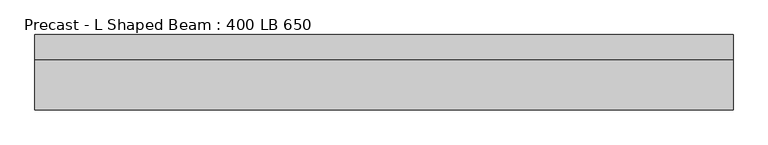
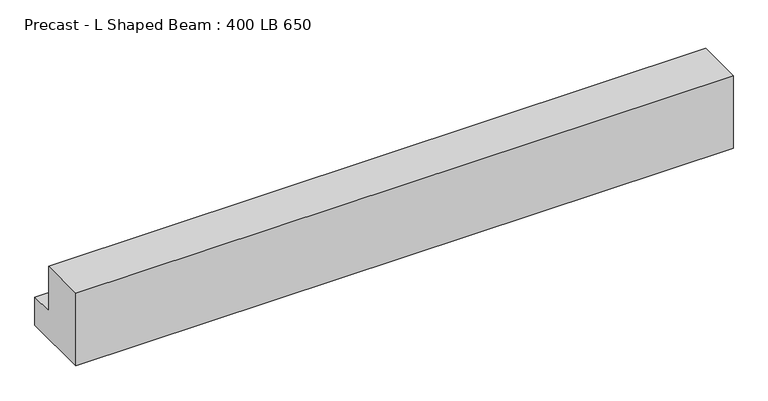
"""IFC4 building model written with IfcOpenShell, lengths in millimetres: beam geometry, Precast - L Shaped Beam : 400 LB 650."""

import ifcopenshell
import ifcopenshell.guid

model = None  # the IFC model being written
_history = None  # IfcOwnerHistory: only IFC2X3 demands one
_inside = {}  # id of a spatial element -> (the spatial element, [elements in it])
_under = {}  # id of a project, library or spatial element -> (it, [spatial elements below it])
_declared = {}  # id of a project -> (the project, [libraries it declares])
_typed = {}  # id of a type object -> (the type object, [elements of that type])
_made_of = {}  # id of a material, layer set ... -> (it, [elements and type objects made of it])


def new_model(schema):
    """Start an empty IFC model of exactly this schema.

    Asked for "IFC4X3", IfcOpenShell would pick the latest addendum, in which some entities
    have other attributes; the version numbers below select the first issue.
    IFC2X3 requires an IfcOwnerHistory on every rooted entity: one is made here for all.
    """
    global model, _history
    if schema == "IFC4X3":
        model = ifcopenshell.file(schema_version=(4, 3, 0, 0))
    else:
        model = ifcopenshell.file(schema=schema)
    _inside.clear()
    _under.clear()
    _declared.clear()
    _typed.clear()
    _made_of.clear()
    _history = None
    if model.schema == "IFC2X3":
        org = make("IfcOrganization", Name="unknown")
        user = make(
            "IfcPersonAndOrganization",
            ThePerson=make("IfcPerson", FamilyName="unknown"),
            TheOrganization=org,
        )
        app = make(
            "IfcApplication",
            ApplicationDeveloper=org,
            Version="unknown",
            ApplicationFullName="unknown",
            ApplicationIdentifier="unknown",
        )
        _history = make(
            "IfcOwnerHistory",
            OwningUser=user,
            OwningApplication=app,
            ChangeAction="ADDED",
            CreationDate=0,
        )
    return model


def make(cls, **values):
    """One entity of the class cls with the attributes given. An attribute that is None is left unset."""
    return model.create_entity(
        cls, **{name: value for name, value in values.items() if value is not None}
    )


def rooted(cls, **values):
    """An entity with a GlobalId (a new one), such as an element, a storey or a relation."""
    return make(cls, GlobalId=ifcopenshell.guid.new(), OwnerHistory=_history, **values)


def si_unit(unit_type, name, prefix=None):
    """IfcSIUnit, for example si_unit("LENGTHUNIT", "METRE", prefix="MILLI")."""
    return make("IfcSIUnit", UnitType=unit_type, Prefix=prefix, Name=name)


def assignment(units):
    """IfcUnitAssignment: the units of a project."""
    return None if units is None else make("IfcUnitAssignment", Units=units)


def point(xyz):
    """IfcCartesianPoint."""
    return None if xyz is None else make("IfcCartesianPoint", Coordinates=xyz)


def direction(xyz):
    """IfcDirection."""
    return None if xyz is None else make("IfcDirection", DirectionRatios=xyz)


def frame(location, z_axis=None, x_axis=None):
    """IfcAxis2Placement3D, a coordinate frame: its origin and axes. An axis left out is left unset."""
    return make(
        "IfcAxis2Placement3D",
        Location=point(location),
        Axis=direction(z_axis),
        RefDirection=direction(x_axis),
    )


def origin():
    """The frame at (0, 0, 0) with its axes left unset."""
    return frame((0.0, 0.0, 0.0))


def place(relative_to, where):
    """IfcLocalPlacement: puts the frame where relative to a parent placement (None: the world)."""
    return make(
        "IfcLocalPlacement", PlacementRelTo=relative_to, RelativePlacement=where
    )


def context(
    kind, dimensions, precision=None, world=None, true_north=None, identifier=None
):
    """IfcGeometricRepresentationContext, for example the 3D "Model" context."""
    return make(
        "IfcGeometricRepresentationContext",
        ContextIdentifier=identifier,
        ContextType=kind,
        CoordinateSpaceDimension=dimensions,
        Precision=precision,
        WorldCoordinateSystem=world,
        TrueNorth=true_north,
    )


def project(units=None, contexts=None):
    """IfcProject with its units and contexts."""
    return rooted(
        "IfcProject",
        Name="project",
        RepresentationContexts=contexts,
        UnitsInContext=assignment(units),
    )


def spatial(cls, under=None, at=None, **own):
    """A site, building, storey or space (cls), placed at a placement, below another one or the project."""
    s = rooted(cls, ObjectPlacement=at, **own)
    if under is not None:
        _under.setdefault(under.id(), (under, []))[1].append(s)
    return s


def polyline(points):
    """IfcPolyline through the points."""
    return make("IfcPolyline", Points=[point(p) for p in points])


def outline(outer, holes=None, kind="AREA"):
    """IfcArbitraryClosedProfileDef: a profile drawn as a closed curve; with holes, ...WithVoids."""
    if holes is None:
        return make("IfcArbitraryClosedProfileDef", ProfileType=kind, OuterCurve=outer)
    return make(
        "IfcArbitraryProfileDefWithVoids",
        ProfileType=kind,
        OuterCurve=outer,
        InnerCurves=holes,
    )


def extrude(swept, where, along, depth):
    """IfcExtrudedAreaSolid: the profile swept, set in the frame where, extruded along a direction by depth."""
    return make(
        "IfcExtrudedAreaSolid",
        SweptArea=swept,
        Position=where,
        ExtrudedDirection=direction(along),
        Depth=depth,
    )


def shape(context_of_items, identifier, shape_type, items):
    """IfcShapeRepresentation: the items that make up one representation, for example the "Body"."""
    return make(
        "IfcShapeRepresentation",
        ContextOfItems=context_of_items,
        RepresentationIdentifier=identifier,
        RepresentationType=shape_type,
        Items=items,
    )


def source(mapping_origin, context_of_items, identifier, shape_type, items):
    """IfcRepresentationMap: a shape defined once, which mapped items show again and again."""
    return make(
        "IfcRepresentationMap",
        MappingOrigin=mapping_origin,
        MappedRepresentation=shape(context_of_items, identifier, shape_type, items),
    )


def transform(
    local_origin,
    x_axis=None,
    y_axis=None,
    z_axis=None,
    scale=None,
    scale2=None,
    scale3=None,
    uniform=True,
):
    """IfcCartesianTransformationOperator3D, or its non-uniform kind. x_axis, y_axis, z_axis: its Axis1, 2, 3."""
    if uniform:
        return make(
            "IfcCartesianTransformationOperator3D",
            Axis1=direction(x_axis),
            Axis2=direction(y_axis),
            LocalOrigin=point(local_origin),
            Scale=scale,
            Axis3=direction(z_axis),
        )
    return make(
        "IfcCartesianTransformationOperator3DnonUniform",
        Axis1=direction(x_axis),
        Axis2=direction(y_axis),
        LocalOrigin=point(local_origin),
        Scale=scale,
        Axis3=direction(z_axis),
        Scale2=scale2,
        Scale3=scale3,
    )


def mapped(mapping_source, mapping_target):
    """IfcMappedItem: shows the shape of a source again, moved by a transform."""
    return make(
        "IfcMappedItem", MappingSource=mapping_source, MappingTarget=mapping_target
    )


def made_of(thing, what):
    """Note that an element or type object is made of a material, layer set ...; save() writes the relation."""
    if what is not None:
        _made_of.setdefault(what.id(), (what, []))[1].append(thing)
    return thing


def element(
    cls,
    number,
    at=None,
    inside=None,
    cuts=None,
    type_object=None,
    material=None,
    context=None,
    identifier="Body",
    shape_type=None,
    held_by="IfcProductDefinitionShape",
    body=None,
    shapes=None,
    **own,
):
    """One element of the class cls, such as IfcWall. Its Tag is "e" and its number.

    at: its placement. inside: the storey or other place that contains it. cuts: it is an
    opening in that element (IfcRelVoidsElement). A single representation is given by context,
    identifier, shape_type and body (its items); several are given by shapes. held_by: the class
    of the entity that holds the representations. save() writes the other relations.
    """
    e = rooted(cls, Tag="e%d" % number, ObjectPlacement=at, **own)
    if body is not None:
        shapes = [shape(context, identifier, shape_type, body)]
    if shapes is not None:
        e.Representation = make(held_by, Representations=shapes)
    if inside is not None:
        _inside.setdefault(inside.id(), (inside, []))[1].append(e)
    if cuts is not None:
        rooted(
            "IfcRelVoidsElement", RelatingBuildingElement=cuts, RelatedOpeningElement=e
        )
    if type_object is not None:
        _typed.setdefault(type_object.id(), (type_object, []))[1].append(e)
    return made_of(e, material)


def aggregate(whole, parts):
    """IfcRelAggregates: a whole, such as a stair, and the parts it consists of."""
    return rooted("IfcRelAggregates", RelatingObject=whole, RelatedObjects=parts)


def save(model, path):
    """Write the relations noted so far, then the file.

    IfcRelAggregates (storeys below a building ...), IfcRelContainedInSpatialStructure (elements
    in a storey), IfcRelDefinesByType, IfcRelAssociatesMaterial and IfcRelDeclares: one each for
    every whole, place, type object, material and project.
    """
    for whole, parts in _under.values():
        aggregate(whole, parts)
    for where, things in _inside.values():
        rooted(
            "IfcRelContainedInSpatialStructure",
            RelatedElements=things,
            RelatingStructure=where,
        )
    for kind, things in _typed.values():
        rooted("IfcRelDefinesByType", RelatedObjects=things, RelatingType=kind)
    for what, things in _made_of.values():
        rooted("IfcRelAssociatesMaterial", RelatedObjects=things, RelatingMaterial=what)
    for by, libraries in _declared.values():
        rooted("IfcRelDeclares", RelatingContext=by, RelatedDefinitions=libraries)
    model.write(path)


def precast_l_shaped_beam_400_lb_650_861620c8(model_context):
    return source(origin(), model_context, "Body", "SweptSolid", [
        extrude(outline(polyline([(-300.0, -325.0), (-300.0, 325.0), (100.0, 325.0), (100.0, -75.0), (300.0, -75.0), (300.0, -325.0), (-300.0, -325.0)])), frame((-2780.0, 0.0, 0.0), z_axis=(1.0, 0.0, 0.0), x_axis=(0.0, 1.0, 0.0)), (0.0, 0.0, 1.0), 5560.0),
    ])


if __name__ == "__main__":
    model = new_model("IFC4")
    model_context = context("Model", 3, world=origin())
    ifc_project = project(units=[si_unit("LENGTHUNIT", "METRE", prefix="MILLI")], contexts=[model_context])
    site = spatial("IfcSite", under=ifc_project)
    building = spatial("IfcBuilding", under=site)
    placement = place(None, origin())
    precast_l_shaped_beam_400_lb_650_shape = precast_l_shaped_beam_400_lb_650_861620c8(model_context)
    element("IfcBeam", 1, ObjectType="Precast - L Shaped Beam : 400 LB 650", at=placement, inside=building, context=model_context, shape_type="MappedRepresentation", body=[
        mapped(precast_l_shaped_beam_400_lb_650_shape, transform((0.0, 0.0, 0.0), x_axis=(1.0, 0.0, 0.0), y_axis=(0.0, 1.0, 0.0), z_axis=(0.0, 0.0, 1.0))),
    ])
    save(model, "model.ifc")
